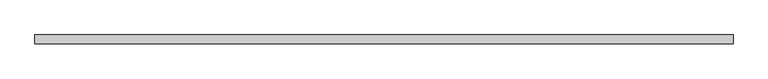
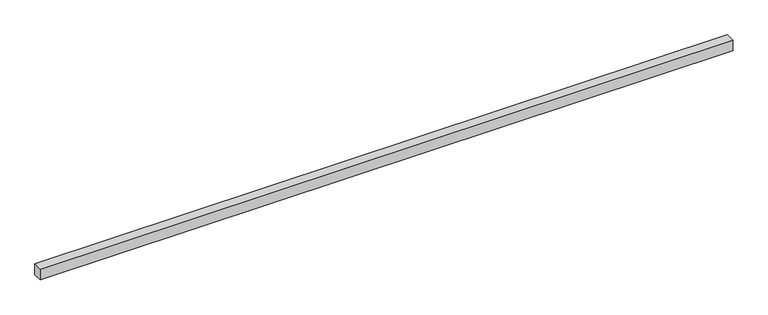
"""IFC4 building model written with IfcOpenShell, lengths in millimetres: proxy geometry."""

from ifc_helpers import new_model, si_unit, frame, origin, place, context, project, spatial, polyline, outline, extrude, source, transform, mapped, element, save


def generic_models_1c3ab271(model_context):
    return source(origin(), model_context, "Body", "SweptSolid", [
        extrude(outline(polyline([(40.0, 0.0), (-40.0, 0.0), (-40.0, 6150.0), (40.0, 6150.0), (40.0, 0.0)])), frame((6150.0, 0.0, 0.0), z_axis=(0.0, -1.9783474858313244e-12, 1.0), x_axis=(0.0, 1.0, 1.9783474858313244e-12)), (0.0, 0.0, 1.0), 100.0),
    ])


if __name__ == "__main__":
    model = new_model("IFC4")
    model_context = context("Model", 3, world=origin())
    ifc_project = project(units=[si_unit("LENGTHUNIT", "METRE", prefix="MILLI")], contexts=[model_context])
    site = spatial("IfcSite", under=ifc_project)
    building = spatial("IfcBuilding", under=site)
    placement = place(None, origin())
    generic_models_shape = generic_models_1c3ab271(model_context)
    element("IfcBuildingElementProxy", 1, Name="Generic Models", at=placement, inside=building, context=model_context, shape_type="MappedRepresentation", body=[
        mapped(generic_models_shape, transform((0.0, 0.0, 0.0), x_axis=(1.0, 0.0, 0.0), y_axis=(0.0, 1.0, 0.0), z_axis=(0.0, 0.0, 1.0))),
    ])
    save(model, "model.ifc")
